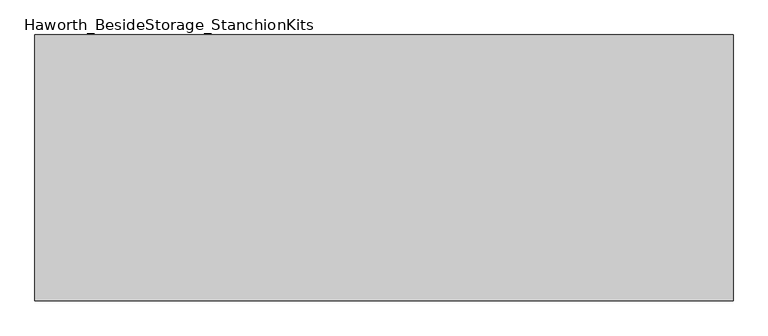
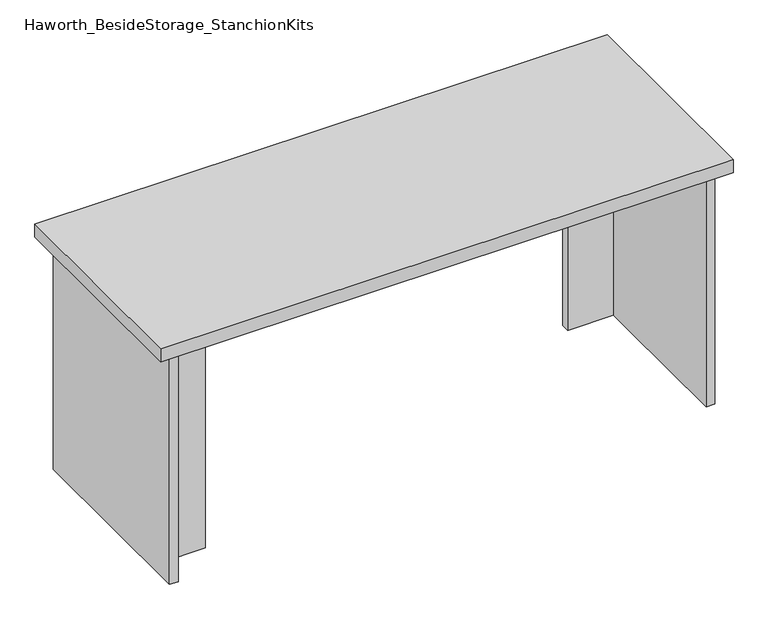
"""IFC4 building model written with IfcOpenShell, lengths in millimetres: furniture geometry, Haworth_BesideStorage_StanchionKits."""

import ifcopenshell
import ifcopenshell.guid

model = None  # the IFC model being written
_history = None  # IfcOwnerHistory: only IFC2X3 demands one
_inside = {}  # id of a spatial element -> (the spatial element, [elements in it])
_under = {}  # id of a project, library or spatial element -> (it, [spatial elements below it])
_declared = {}  # id of a project -> (the project, [libraries it declares])
_typed = {}  # id of a type object -> (the type object, [elements of that type])
_made_of = {}  # id of a material, layer set ... -> (it, [elements and type objects made of it])


def new_model(schema):
    """Start an empty IFC model of exactly this schema.

    Asked for "IFC4X3", IfcOpenShell would pick the latest addendum, in which some entities
    have other attributes; the version numbers below select the first issue.
    IFC2X3 requires an IfcOwnerHistory on every rooted entity: one is made here for all.
    """
    global model, _history
    if schema == "IFC4X3":
        model = ifcopenshell.file(schema_version=(4, 3, 0, 0))
    else:
        model = ifcopenshell.file(schema=schema)
    _inside.clear()
    _under.clear()
    _declared.clear()
    _typed.clear()
    _made_of.clear()
    _history = None
    if model.schema == "IFC2X3":
        org = make("IfcOrganization", Name="unknown")
        user = make(
            "IfcPersonAndOrganization",
            ThePerson=make("IfcPerson", FamilyName="unknown"),
            TheOrganization=org,
        )
        app = make(
            "IfcApplication",
            ApplicationDeveloper=org,
            Version="unknown",
            ApplicationFullName="unknown",
            ApplicationIdentifier="unknown",
        )
        _history = make(
            "IfcOwnerHistory",
            OwningUser=user,
            OwningApplication=app,
            ChangeAction="ADDED",
            CreationDate=0,
        )
    return model


def make(cls, **values):
    """One entity of the class cls with the attributes given. An attribute that is None is left unset."""
    return model.create_entity(
        cls, **{name: value for name, value in values.items() if value is not None}
    )


def rooted(cls, **values):
    """An entity with a GlobalId (a new one), such as an element, a storey or a relation."""
    return make(cls, GlobalId=ifcopenshell.guid.new(), OwnerHistory=_history, **values)


def si_unit(unit_type, name, prefix=None):
    """IfcSIUnit, for example si_unit("LENGTHUNIT", "METRE", prefix="MILLI")."""
    return make("IfcSIUnit", UnitType=unit_type, Prefix=prefix, Name=name)


def assignment(units):
    """IfcUnitAssignment: the units of a project."""
    return None if units is None else make("IfcUnitAssignment", Units=units)


def point(xyz):
    """IfcCartesianPoint."""
    return None if xyz is None else make("IfcCartesianPoint", Coordinates=xyz)


def direction(xyz):
    """IfcDirection."""
    return None if xyz is None else make("IfcDirection", DirectionRatios=xyz)


def frame(location, z_axis=None, x_axis=None):
    """IfcAxis2Placement3D, a coordinate frame: its origin and axes. An axis left out is left unset."""
    return make(
        "IfcAxis2Placement3D",
        Location=point(location),
        Axis=direction(z_axis),
        RefDirection=direction(x_axis),
    )


def origin():
    """The frame at (0, 0, 0) with its axes left unset."""
    return frame((0.0, 0.0, 0.0))


def place(relative_to, where):
    """IfcLocalPlacement: puts the frame where relative to a parent placement (None: the world)."""
    return make(
        "IfcLocalPlacement", PlacementRelTo=relative_to, RelativePlacement=where
    )


def context(
    kind, dimensions, precision=None, world=None, true_north=None, identifier=None
):
    """IfcGeometricRepresentationContext, for example the 3D "Model" context."""
    return make(
        "IfcGeometricRepresentationContext",
        ContextIdentifier=identifier,
        ContextType=kind,
        CoordinateSpaceDimension=dimensions,
        Precision=precision,
        WorldCoordinateSystem=world,
        TrueNorth=true_north,
    )


def project(units=None, contexts=None):
    """IfcProject with its units and contexts."""
    return rooted(
        "IfcProject",
        Name="project",
        RepresentationContexts=contexts,
        UnitsInContext=assignment(units),
    )


def spatial(cls, under=None, at=None, **own):
    """A site, building, storey or space (cls), placed at a placement, below another one or the project."""
    s = rooted(cls, ObjectPlacement=at, **own)
    if under is not None:
        _under.setdefault(under.id(), (under, []))[1].append(s)
    return s


def polyline(points):
    """IfcPolyline through the points."""
    return make("IfcPolyline", Points=[point(p) for p in points])


def outline(outer, holes=None, kind="AREA"):
    """IfcArbitraryClosedProfileDef: a profile drawn as a closed curve; with holes, ...WithVoids."""
    if holes is None:
        return make("IfcArbitraryClosedProfileDef", ProfileType=kind, OuterCurve=outer)
    return make(
        "IfcArbitraryProfileDefWithVoids",
        ProfileType=kind,
        OuterCurve=outer,
        InnerCurves=holes,
    )


def extrude(swept, where, along, depth):
    """IfcExtrudedAreaSolid: the profile swept, set in the frame where, extruded along a direction by depth."""
    return make(
        "IfcExtrudedAreaSolid",
        SweptArea=swept,
        Position=where,
        ExtrudedDirection=direction(along),
        Depth=depth,
    )


def shape(context_of_items, identifier, shape_type, items):
    """IfcShapeRepresentation: the items that make up one representation, for example the "Body"."""
    return make(
        "IfcShapeRepresentation",
        ContextOfItems=context_of_items,
        RepresentationIdentifier=identifier,
        RepresentationType=shape_type,
        Items=items,
    )


def source(mapping_origin, context_of_items, identifier, shape_type, items):
    """IfcRepresentationMap: a shape defined once, which mapped items show again and again."""
    return make(
        "IfcRepresentationMap",
        MappingOrigin=mapping_origin,
        MappedRepresentation=shape(context_of_items, identifier, shape_type, items),
    )


def transform(
    local_origin,
    x_axis=None,
    y_axis=None,
    z_axis=None,
    scale=None,
    scale2=None,
    scale3=None,
    uniform=True,
):
    """IfcCartesianTransformationOperator3D, or its non-uniform kind. x_axis, y_axis, z_axis: its Axis1, 2, 3."""
    if uniform:
        return make(
            "IfcCartesianTransformationOperator3D",
            Axis1=direction(x_axis),
            Axis2=direction(y_axis),
            LocalOrigin=point(local_origin),
            Scale=scale,
            Axis3=direction(z_axis),
        )
    return make(
        "IfcCartesianTransformationOperator3DnonUniform",
        Axis1=direction(x_axis),
        Axis2=direction(y_axis),
        LocalOrigin=point(local_origin),
        Scale=scale,
        Axis3=direction(z_axis),
        Scale2=scale2,
        Scale3=scale3,
    )


def mapped(mapping_source, mapping_target):
    """IfcMappedItem: shows the shape of a source again, moved by a transform."""
    return make(
        "IfcMappedItem", MappingSource=mapping_source, MappingTarget=mapping_target
    )


def made_of(thing, what):
    """Note that an element or type object is made of a material, layer set ...; save() writes the relation."""
    if what is not None:
        _made_of.setdefault(what.id(), (what, []))[1].append(thing)
    return thing


def element(
    cls,
    number,
    at=None,
    inside=None,
    cuts=None,
    type_object=None,
    material=None,
    context=None,
    identifier="Body",
    shape_type=None,
    held_by="IfcProductDefinitionShape",
    body=None,
    shapes=None,
    **own,
):
    """One element of the class cls, such as IfcWall. Its Tag is "e" and its number.

    at: its placement. inside: the storey or other place that contains it. cuts: it is an
    opening in that element (IfcRelVoidsElement). A single representation is given by context,
    identifier, shape_type and body (its items); several are given by shapes. held_by: the class
    of the entity that holds the representations. save() writes the other relations.
    """
    e = rooted(cls, Tag="e%d" % number, ObjectPlacement=at, **own)
    if body is not None:
        shapes = [shape(context, identifier, shape_type, body)]
    if shapes is not None:
        e.Representation = make(held_by, Representations=shapes)
    if inside is not None:
        _inside.setdefault(inside.id(), (inside, []))[1].append(e)
    if cuts is not None:
        rooted(
            "IfcRelVoidsElement", RelatingBuildingElement=cuts, RelatedOpeningElement=e
        )
    if type_object is not None:
        _typed.setdefault(type_object.id(), (type_object, []))[1].append(e)
    return made_of(e, material)


def aggregate(whole, parts):
    """IfcRelAggregates: a whole, such as a stair, and the parts it consists of."""
    return rooted("IfcRelAggregates", RelatingObject=whole, RelatedObjects=parts)


def save(model, path):
    """Write the relations noted so far, then the file.

    IfcRelAggregates (storeys below a building ...), IfcRelContainedInSpatialStructure (elements
    in a storey), IfcRelDefinesByType, IfcRelAssociatesMaterial and IfcRelDeclares: one each for
    every whole, place, type object, material and project.
    """
    for whole, parts in _under.values():
        aggregate(whole, parts)
    for where, things in _inside.values():
        rooted(
            "IfcRelContainedInSpatialStructure",
            RelatedElements=things,
            RelatingStructure=where,
        )
    for kind, things in _typed.values():
        rooted("IfcRelDefinesByType", RelatedObjects=things, RelatingType=kind)
    for what, things in _made_of.values():
        rooted("IfcRelAssociatesMaterial", RelatedObjects=things, RelatingMaterial=what)
    for by, libraries in _declared.values():
        rooted("IfcRelDeclares", RelatingContext=by, RelatedDefinitions=libraries)
    model.write(path)


def haworth_besidestorage_stanchionkits_05de5866(model_context):
    return source(origin(), model_context, "Body", "SweptSolid", [
        extrude(outline(polyline([(695.325, 0.0), (695.325, -406.4), (-371.475, -406.4), (-371.475, 0.0), (695.325, 0.0)])), frame((0.0, 0.0, 889.0), z_axis=(0.0, 0.0, 1.0), x_axis=(1.0, 0.0, 0.0)), (0.0, 0.0, 1.0), 25.4),
        extrude(outline(polyline([(568.325, -76.2), (654.05, -76.2), (654.05, -92.075), (568.325, -92.075), (568.325, -76.2)])), frame((0.0, 0.0, 431.8), z_axis=(0.0, 0.0, 1.0), x_axis=(1.0, 0.0, 0.0)), (0.0, 0.0, 1.0), 457.2),
        extrude(outline(polyline([(-244.475, -314.325), (-244.475, -330.2), (-330.2, -330.2), (-330.2, -314.325), (-244.475, -314.325)])), frame((0.0, 0.0, 431.8), z_axis=(0.0, 0.0, 1.0), x_axis=(1.0, 0.0, 0.0)), (0.0, 0.0, 1.0), 457.2),
        extrude(outline(polyline([(669.925, -390.525), (654.05, -390.525), (654.05, -15.875), (669.925, -15.875), (669.925, -390.525)])), frame((0.0, 0.0, 431.8), z_axis=(0.0, 0.0, 1.0), x_axis=(1.0, 0.0, 0.0)), (0.0, 0.0, 1.0), 457.2),
        extrude(outline(polyline([(-330.2, -390.525), (-346.075, -390.525), (-346.075, -15.875), (-330.2, -15.875), (-330.2, -390.525)])), frame((0.0, 0.0, 431.8), z_axis=(0.0, 0.0, 1.0), x_axis=(1.0, 0.0, 0.0)), (0.0, 0.0, 1.0), 457.2),
    ])


if __name__ == "__main__":
    model = new_model("IFC4")
    model_context = context("Model", 3, world=origin())
    ifc_project = project(units=[si_unit("LENGTHUNIT", "METRE", prefix="MILLI")], contexts=[model_context])
    site = spatial("IfcSite", under=ifc_project)
    building = spatial("IfcBuilding", under=site)
    placement = place(None, origin())
    haworth_besidestorage_stanchionkits_shape = haworth_besidestorage_stanchionkits_05de5866(model_context)
    element("IfcFurniture", 1, ObjectType="Haworth_BesideStorage_StanchionKits", at=placement, inside=building, context=model_context, shape_type="MappedRepresentation", body=[
        mapped(haworth_besidestorage_stanchionkits_shape, transform((0.0, 0.0, 0.0), x_axis=(1.0, 0.0, 0.0), y_axis=(0.0, 1.0, 0.0), z_axis=(0.0, 0.0, 1.0))),
    ])
    save(model, "model.ifc")
